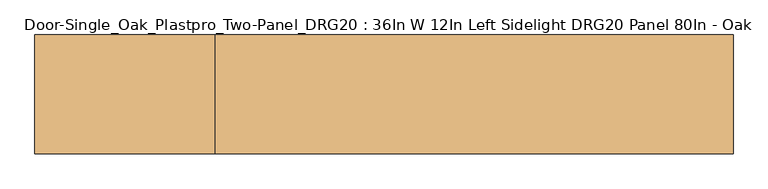
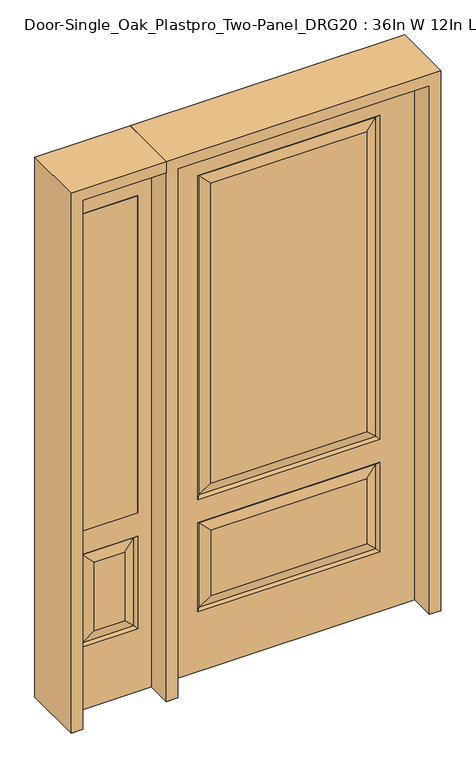
"""IFC4 building model written with IfcOpenShell, lengths in millimetres: door geometry, Door-Single_Oak_Plastpro_Two-Panel_DRG20 : 36In W 12In Left Sidelight DRG20 Panel 80In - Oak."""

from ifc_helpers import new_model, si_unit, frame, origin, place, context, project, spatial, polyline, outline, extrude, faceted_brep, source, transform, mapped, element, save


def door_single_oak_plastpro_two_panel_drg20_36in_w_12in_left_26b867af(model_context):
    return source(origin(), model_context, "Body", "SolidModel", [
        extrude(outline(polyline([(-549.275, -20.6375), (-752.475, -20.6375), (-752.475, 20.6375), (-549.275, 20.6375), (-549.275, -20.6375)])), frame((0.0, 0.0, 685.8), z_axis=(0.0, 0.0, 1.0), x_axis=(1.0, 0.0, 0.0)), (0.0, 0.0, 1.0), 1219.2),
        faceted_brep([(-803.275, -20.6375, 0.0), (-498.475, -20.6375, 0.0), (-498.475, -20.6375, 2032.0), (-803.275, -20.6375, 2032.0), (-549.275, -20.6375, 685.8), (-752.475, -20.6375, 685.8), (-752.475, -20.6375, 1905.0), (-549.275, -20.6375, 1905.0), (-549.275, -20.6375, 241.3), (-752.475, -20.6375, 241.3), (-752.475, -20.6375, 596.9), (-549.275, -20.6375, 596.9), (-706.4375, -20.6375, 287.3375), (-595.3125, -20.6375, 287.3375), (-595.3125, -20.6375, 550.8625), (-706.4375, -20.6375, 550.8625), (-803.275, 20.6375, 0.0), (-498.475, 20.6375, 0.0), (-498.475, 20.6375, 2032.0), (-803.275, 20.6375, 2032.0), (-558.2552561, -11.6572439, 250.2802561), (-743.4947439, -11.6572439, 250.2802561), (-743.4947439, -11.6572439, 587.9197439), (-558.2552561, -11.6572439, 587.9197439), (-549.275, 20.6375, 685.8), (-752.475, 20.6375, 685.8), (-752.475, 20.6375, 1905.0), (-549.275, 20.6375, 1905.0), (-752.475, 20.6375, 241.3), (-549.275, 20.6375, 241.3), (-549.275, 20.6375, 596.9), (-752.475, 20.6375, 596.9), (-595.3125, 20.6375, 287.3375), (-706.4375, 20.6375, 287.3375), (-706.4375, 20.6375, 550.8625), (-595.3125, 20.6375, 550.8625), (-743.4947439, 11.6572439, 250.2802561), (-558.2552561, 11.6572439, 250.2802561), (-558.2552561, 11.6572439, 587.9197439), (-743.4947439, 11.6572439, 587.9197439)], [[[0, 1, 2, 3], [4, 5, 6, 7], [8, 9, 10, 11]], [[12, 13, 14, 15]], [[1, 0, 16, 17]], [[2, 1, 17, 18]], [[0, 3, 19, 16]], [[20, 21, 9, 8]], [[9, 21, 22, 10]], [[10, 22, 23, 11]], [[20, 8, 11, 23]], [[21, 20, 13, 12]], [[13, 20, 23, 14]], [[22, 15, 14, 23]], [[21, 12, 15, 22]], [[4, 24, 25, 5]], [[5, 25, 26, 6]], [[24, 4, 7, 27]], [[16, 19, 18, 17], [25, 24, 27, 26], [28, 29, 30, 31]], [[32, 33, 34, 35]], [[28, 36, 37, 29]], [[29, 37, 38, 30]], [[39, 31, 30, 38]], [[36, 28, 31, 39]], [[37, 36, 33, 32]], [[33, 36, 39, 34]], [[34, 39, 38, 35]], [[37, 32, 35, 38]], [[3, 2, 18, 19]], [[27, 7, 6, 26]]]),
        faceted_brep([(-321.2197439, -11.6572439, 237.5802561), (-284.1625, -20.6375, 274.6375), (-284.1625, -20.6375, 525.4625), (-321.2197439, -11.6572439, 562.5197439), (-330.2, 20.6375, 228.6), (-321.2197439, 11.6572439, 237.5802561), (321.2197439, 11.6572439, 237.5802561), (330.2, 20.6375, 228.6), (-330.2, 20.6375, 571.5), (-321.2197439, 11.6572439, 562.5197439), (321.2197439, 11.6572439, 562.5197439), (330.2, 20.6375, 571.5), (457.2, 20.6375, 2032.0), (-457.2, 20.6375, 2032.0), (-457.2, -20.6375, 2032.0), (457.2, -20.6375, 2032.0), (457.2, 20.6375, 0.0), (457.2, -20.6375, 0.0), (-457.2, -20.6375, 0.0), (-457.2, 20.6375, 0.0), (284.1625, -20.6375, 274.6375), (284.1625, -20.6375, 525.4625), (-284.1625, -20.6375, 706.4375), (284.1625, -20.6375, 706.4375), (284.1625, -20.6375, 1858.9625), (-284.1625, -20.6375, 1858.9625), (330.2, -20.6375, 660.4), (-330.2, -20.6375, 660.4), (-330.2, -20.6375, 1905.0), (330.2, -20.6375, 1905.0), (330.2, -20.6375, 228.6), (-330.2, -20.6375, 228.6), (-330.2, -20.6375, 571.5), (330.2, -20.6375, 571.5), (-284.1625, 20.6375, 1858.9625), (284.1625, 20.6375, 1858.9625), (284.1625, 20.6375, 706.4375), (-284.1625, 20.6375, 706.4375), (-284.1625, 20.6375, 525.4625), (284.1625, 20.6375, 525.4625), (284.1625, 20.6375, 274.6375), (-284.1625, 20.6375, 274.6375), (330.2, 20.6375, 1905.0), (-330.2, 20.6375, 1905.0), (-330.2, 20.6375, 660.4), (330.2, 20.6375, 660.4), (-321.2197439, 11.6572439, 1896.0197439), (-321.2197439, 11.6572439, 669.3802561), (321.2197439, 11.6572439, 669.3802561), (321.2197439, 11.6572439, 1896.0197439), (321.2197439, -11.6572439, 669.3802561), (-321.2197439, -11.6572439, 669.3802561), (-321.2197439, -11.6572439, 1896.0197439), (321.2197439, -11.6572439, 1896.0197439), (321.2197439, -11.6572439, 237.5802561), (321.2197439, -11.6572439, 562.5197439)], [[[0, 1, 2, 3]], [[4, 5, 6, 7]], [[8, 9, 5, 4]], [[10, 9, 8, 11]], [[12, 13, 14, 15]], [[16, 17, 18, 19]], [[12, 15, 17, 16]], [[1, 20, 21, 2]], [[22, 23, 24, 25]], [[15, 14, 18, 17], [26, 27, 28, 29], [30, 31, 32, 33]], [[14, 13, 19, 18]], [[34, 35, 36, 37]], [[38, 39, 40, 41]], [[13, 12, 16, 19], [11, 8, 4, 7], [42, 43, 44, 45]], [[43, 46, 47, 44]], [[44, 47, 48, 45]], [[49, 42, 45, 48]], [[35, 49, 48, 36]], [[47, 37, 36, 48]], [[46, 34, 37, 47]], [[10, 11, 7, 6]], [[9, 10, 39, 38]], [[39, 10, 6, 40]], [[5, 41, 40, 6]], [[9, 38, 41, 5]], [[50, 51, 27, 26]], [[27, 51, 52, 28]], [[50, 26, 29, 53]], [[51, 50, 23, 22]], [[23, 50, 53, 24]], [[51, 22, 25, 52]], [[54, 0, 31, 30]], [[31, 0, 3, 32]], [[32, 3, 55, 33]], [[54, 30, 33, 55]], [[0, 54, 20, 1]], [[20, 54, 55, 21]], [[3, 2, 21, 55]], [[28, 52, 53, 29]], [[52, 25, 24, 53]], [[49, 46, 43, 42]], [[46, 49, 35, 34]]]),
        extrude(outline(polyline([(2032.0, -498.475), (2073.275, -498.475), (2073.275, -844.55), (0.0, -844.55), (0.0, -803.275), (2032.0, -803.275), (2032.0, -498.475)])), frame((0.0, -114.3, 0.0), z_axis=(0.0, 1.0, 0.0), x_axis=(0.0, 0.0, 1.0)), (0.0, 0.0, 1.0), 228.6),
        extrude(outline(polyline([(2073.275, -498.475), (0.0, -498.475), (0.0, -457.2), (2032.0, -457.2), (2032.0, 457.2), (0.0, 457.2), (0.0, 498.475), (2073.275, 498.475), (2073.275, -498.475)])), frame((0.0, -114.3, 0.0), z_axis=(0.0, 1.0, 0.0), x_axis=(0.0, 0.0, 1.0)), (0.0, 0.0, 1.0), 228.6),
    ])


if __name__ == "__main__":
    model = new_model("IFC4")
    model_context = context("Model", 3, world=origin())
    ifc_project = project(units=[si_unit("LENGTHUNIT", "METRE", prefix="MILLI")], contexts=[model_context])
    site = spatial("IfcSite", under=ifc_project)
    building = spatial("IfcBuilding", under=site)
    placement = place(None, origin())
    door_single_oak_plastpro_two_panel_drg20_36in_w_12in_left_shape = door_single_oak_plastpro_two_panel_drg20_36in_w_12in_left_26b867af(model_context)
    element("IfcDoor", 1, ObjectType="Door-Single_Oak_Plastpro_Two-Panel_DRG20 : 36In W 12In Left Sidelight DRG20 Panel 80In - Oak", at=placement, inside=building, context=model_context, shape_type="MappedRepresentation", body=[
        mapped(door_single_oak_plastpro_two_panel_drg20_36in_w_12in_left_shape, transform((0.0, 0.0, 0.0), x_axis=(1.0, 0.0, 0.0), y_axis=(0.0, 1.0, 0.0), z_axis=(0.0, 0.0, 1.0))),
    ])
    save(model, "model.ifc")
